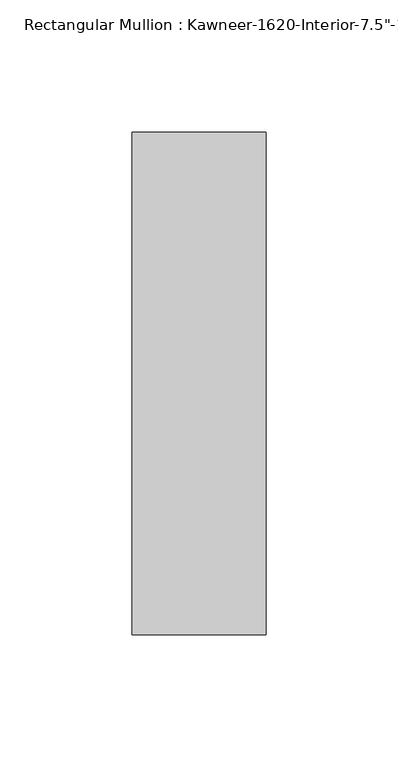
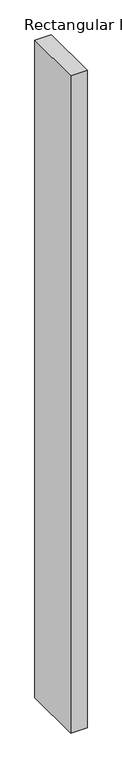
"""IFC4 building model written with IfcOpenShell, lengths in millimetres: member geometry."""

from ifc_helpers import new_model, si_unit, frame, origin, place, context, project, spatial, polyline, outline, extrude, source, transform, mapped, element, save


def member_d1e2de3a(model_context):
    return source(origin(), model_context, "Body", "SweptSolid", [
        extrude(outline(polyline([(25.4, -161.925), (-25.4, -161.925), (-25.4, 28.575), (25.4, 28.575), (25.4, -161.925)])), frame((0.0, 0.0, -2143.125), z_axis=(0.0, 0.0, 1.0), x_axis=(1.0, 0.0, 0.0)), (0.0, 0.0, 1.0), 2143.125),
    ])


if __name__ == "__main__":
    model = new_model("IFC4")
    model_context = context("Model", 3, world=origin())
    ifc_project = project(units=[si_unit("LENGTHUNIT", "METRE", prefix="MILLI")], contexts=[model_context])
    site = spatial("IfcSite", under=ifc_project)
    building = spatial("IfcBuilding", under=site)
    placement = place(None, origin())
    member_shape = member_d1e2de3a(model_context)
    element("IfcMember", 1, ObjectType="Rectangular Mullion : Kawneer-1620-Interior-7.5\"-1/4\"Infill", at=placement, inside=building, context=model_context, shape_type="MappedRepresentation", body=[
        mapped(member_shape, transform((0.0, 0.0, 0.0), x_axis=(1.0, 0.0, 0.0), y_axis=(0.0, 1.0, 0.0), z_axis=(0.0, 0.0, 1.0))),
    ])
    save(model, "model.ifc")
